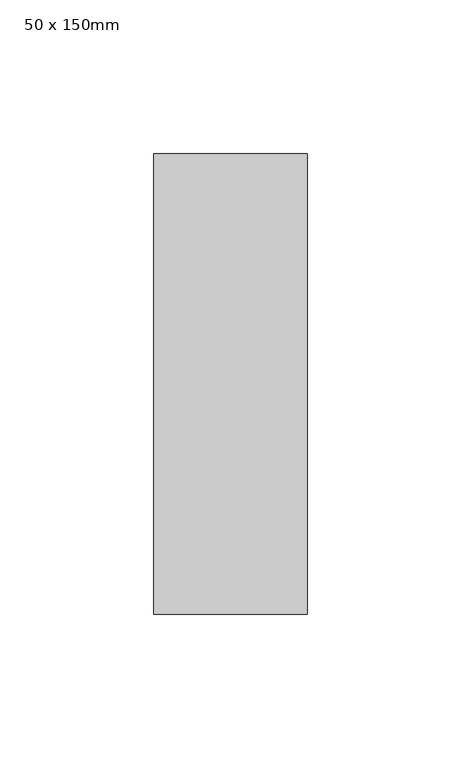
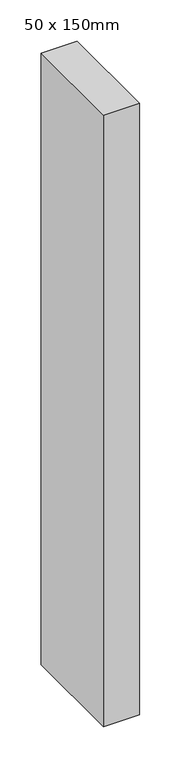
"""IFC4 building model written with IfcOpenShell, lengths in millimetres: member geometry, 50 x 150mm."""

from ifc_helpers import new_model, si_unit, frame, origin, place, context, project, spatial, polyline, outline, extrude, source, transform, mapped, element, save


def member_50_x_150mm_3ddb3363(model_context):
    return source(origin(), model_context, "Body", "SweptSolid", [
        extrude(outline(polyline([(25.0, 75.0), (25.0, -75.0), (-25.0, -75.0), (-25.0, 75.0), (25.0, 75.0)])), frame((0.0, 0.0, -900.0), z_axis=(0.0, 0.0, 1.0), x_axis=(1.0, 0.0, 0.0)), (0.0, 0.0, 1.0), 900.0),
    ])


if __name__ == "__main__":
    model = new_model("IFC4")
    model_context = context("Model", 3, world=origin())
    ifc_project = project(units=[si_unit("LENGTHUNIT", "METRE", prefix="MILLI")], contexts=[model_context])
    site = spatial("IfcSite", under=ifc_project)
    building = spatial("IfcBuilding", under=site)
    placement = place(None, origin())
    member_50_x_150mm_shape = member_50_x_150mm_3ddb3363(model_context)
    element("IfcMember", 1, ObjectType="50 x 150mm", at=placement, inside=building, context=model_context, shape_type="MappedRepresentation", body=[
        mapped(member_50_x_150mm_shape, transform((0.0, 0.0, 0.0), x_axis=(1.0, 0.0, 0.0), y_axis=(0.0, 1.0, 0.0), z_axis=(0.0, 0.0, 1.0))),
    ])
    save(model, "model.ifc")
